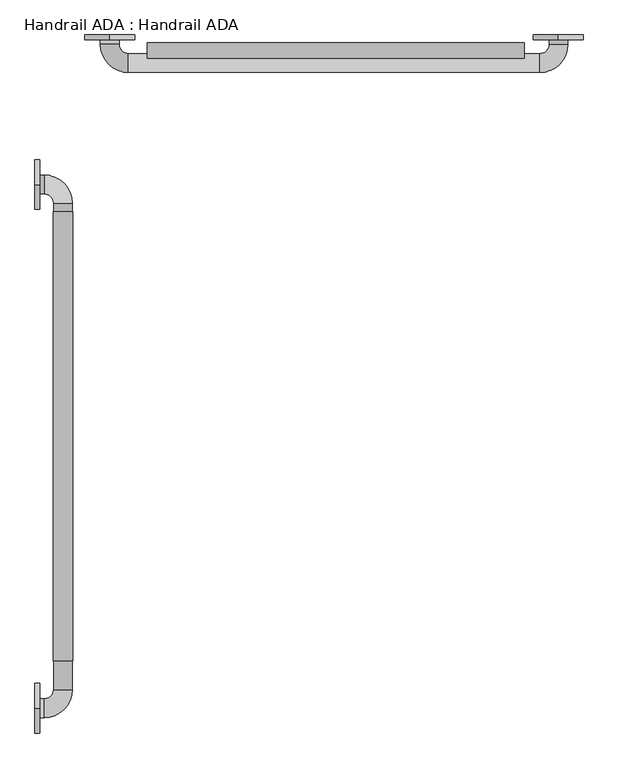
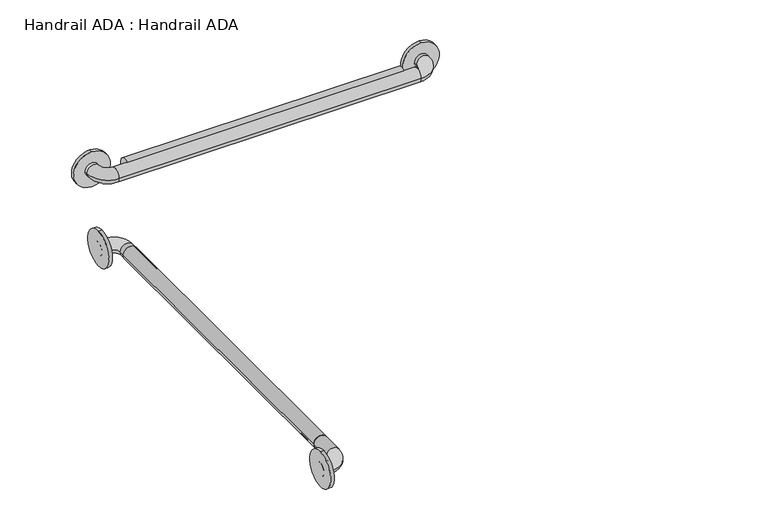
"""IFC4 building model written with IfcOpenShell, lengths in millimetres: proxy geometry, Handrail ADA : Handrail ADA."""

from ifc_helpers import new_model, si_unit, point, frame, frame_2d, origin, place, context, project, spatial, circle_curve, ellipse_curve, trimmed, segment, composite_curve, outline, extrude, source, transform, mapped, element, save
from ifc_brep_helpers import plane_surface, cylinder_surface, revolved_surface, advanced_brep


def handrail_ada_handrail_ada_b53c9894(model_context):
    return source(origin(), model_context, "Body", "SolidModel", [
        extrude(outline(composite_curve([segment(trimmed(circle_curve(frame_2d((889.0, 57.15)), 19.84375), [point((889.0, 76.99375))], [point((889.0, 37.30625))], False, "CARTESIAN"), True, "CONTINUOUS"), segment(trimmed(circle_curve(frame_2d((889.0, 57.15)), 19.84375), [point((889.0, 37.30625))], [point((889.0, 76.99375))], False, "CARTESIAN"), True, "CONTINUOUS")], self_intersect=False)), frame((0.0, -1371.6, 0.0), z_axis=(0.0, 1.0, 0.0), x_axis=(0.0, 0.0, 1.0)), (0.0, 0.0, 1.0), 914.4),
        extrude(outline(composite_curve([segment(trimmed(circle_curve(frame_2d((-132.994073, 889.0)), 19.84375), [point((-113.150323, 889.0))], [point((-152.837823, 889.0))], False, "CARTESIAN"), True, "CONTINUOUS"), segment(trimmed(circle_curve(frame_2d((-132.994073, 889.0)), 19.84375), [point((-152.837823, 889.0))], [point((-113.150323, 889.0))], False, "CARTESIAN"), True, "CONTINUOUS")], self_intersect=False)), frame((228.6, 0.0, 0.0), z_axis=(1.0, 0.0, 0.0), x_axis=(0.0, 1.0, 0.0)), (0.0, 0.0, 1.0), 768.35),
        extrude(outline(composite_curve([segment(trimmed(circle_curve(frame_2d((889.0, 1065.9492842)), 50.8), [point((838.2, 1065.9492842))], [point((939.8, 1065.9492842))], False, "CARTESIAN"), True, "CONTINUOUS"), segment(trimmed(circle_curve(frame_2d((889.0, 1065.9492842)), 50.8), [point((939.8, 1065.9492842))], [point((838.2, 1065.9492842))], False, "CARTESIAN"), True, "CONTINUOUS")], self_intersect=False)), frame((0.0, -106.3625, 0.0), z_axis=(0.0, 1.0, 0.0), x_axis=(0.0, 0.0, 1.0)), (0.0, 0.0, 1.0), 9.525),
        extrude(outline(composite_curve([segment(trimmed(circle_curve(frame_2d((889.0, 152.4)), 50.8), [point((838.2, 152.4))], [point((939.8, 152.4))], False, "CARTESIAN"), True, "CONTINUOUS"), segment(trimmed(circle_curve(frame_2d((889.0, 152.4)), 50.8), [point((939.8, 152.4))], [point((838.2, 152.4))], False, "CARTESIAN"), True, "CONTINUOUS")], self_intersect=False)), frame((0.0, -106.3625, 0.0), z_axis=(0.0, 1.0, 0.0), x_axis=(0.0, 0.0, 1.0)), (0.0, 0.0, 1.0), 9.525),
        extrude(outline(composite_curve([segment(trimmed(circle_curve(frame_2d((-401.6375, 889.0)), 50.8), [point((-401.6375, 838.2))], [point((-401.6375, 939.8))], False, "CARTESIAN"), True, "CONTINUOUS"), segment(trimmed(circle_curve(frame_2d((-401.6375, 889.0)), 50.8), [point((-401.6375, 939.8))], [point((-401.6375, 838.2))], False, "CARTESIAN"), True, "CONTINUOUS")], self_intersect=False)), frame((0.0, 0.0, 0.0), z_axis=(1.0, 0.0, 0.0), x_axis=(0.0, 1.0, 0.0)), (0.0, 0.0, 1.0), 9.525),
        extrude(outline(composite_curve([segment(trimmed(circle_curve(frame_2d((-1468.4375, 889.0)), 50.8), [point((-1468.4375, 838.2))], [point((-1468.4375, 939.8))], False, "CARTESIAN"), True, "CONTINUOUS"), segment(trimmed(circle_curve(frame_2d((-1468.4375, 889.0)), 50.8), [point((-1468.4375, 939.8))], [point((-1468.4375, 838.2))], False, "CARTESIAN"), True, "CONTINUOUS")], self_intersect=False)), frame((0.0, 0.0, 0.0), z_axis=(1.0, 0.0, 0.0), x_axis=(0.0, 1.0, 0.0)), (0.0, 0.0, 1.0), 9.525),
        advanced_brep(
        [(1085.85, -96.8375, 889.0), (1047.75, -96.8375, 889.0), (1047.75, -115.8875, 889.0), (1085.85, -115.8875, 889.0), (1028.7, -134.9375, 889.0), (1028.7, -173.0375, 889.0), (190.5, -134.9375, 889.0), (190.5, -173.0375, 889.0), (171.45, -115.8875, 889.0), (133.35, -115.8875, 889.0), (133.35, -96.8375, 889.0), (171.45, -96.8375, 889.0)],
        [
            (0, 1, circle_curve(frame((1066.8, -96.8375, 889.0), z_axis=(0.0, 1.0, 0.0), x_axis=(-1.0, 0.0, 0.0)), 19.05)),
            (1, 0, circle_curve(frame((1066.8, -96.8375, 889.0), z_axis=(0.0, 1.0, 0.0), x_axis=(-1.0, 0.0, 0.0)), 19.05)),
            (1, 2),
            (2, 3, circle_curve(frame((1066.8, -115.8875, 889.0), z_axis=(0.0, 1.0, 0.0), x_axis=(-1.0, 0.0, 0.0)), 19.05)),
            (3, 0),
            (3, 2, circle_curve(frame((1066.8, -115.8875, 889.0), z_axis=(0.0, 1.0, 0.0), x_axis=(-1.0, 0.0, 0.0)), 19.05)),
            (4, 5, circle_curve(frame((1028.7, -153.9875, 889.0), z_axis=(1.0, 0.0, 0.0), x_axis=(0.0, 1.0, 0.0)), 19.05)),
            (5, 3, circle_curve(frame((1028.7, -115.8875, 889.0), z_axis=(0.0, 0.0, 1.0), x_axis=(1.0, 0.0, 0.0)), 57.15)),
            (2, 4, circle_curve(frame((1028.7, -115.8875, 889.0), z_axis=(0.0, 0.0, -1.0), x_axis=(1.0, 0.0, 0.0)), 19.05)),
            (5, 4, circle_curve(frame((1028.7, -153.9875, 889.0), z_axis=(1.0, 0.0, 0.0), x_axis=(0.0, 1.0, 0.0)), 19.05)),
            (4, 6),
            (6, 7, circle_curve(frame((190.5, -153.9875, 889.0), z_axis=(1.0, 0.0, 0.0), x_axis=(0.0, 1.0, 0.0)), 19.05)),
            (7, 5),
            (7, 6, circle_curve(frame((190.5, -153.9875, 889.0), z_axis=(1.0, 0.0, 0.0), x_axis=(0.0, 1.0, 0.0)), 19.05)),
            (8, 9, circle_curve(frame((152.4, -115.8875, 889.0), z_axis=(0.0, -1.0, 0.0), x_axis=(1.0, 0.0, 0.0)), 19.05)),
            (9, 7, circle_curve(frame((190.5, -115.8875, 889.0), z_axis=(0.0, 0.0, 1.0), x_axis=(0.0, -1.0, 0.0)), 57.15)),
            (6, 8, circle_curve(frame((190.5, -115.8875, 889.0), z_axis=(0.0, 0.0, -1.0), x_axis=(0.0, -1.0, 0.0)), 19.05)),
            (9, 8, circle_curve(frame((152.4, -115.8875, 889.0), z_axis=(0.0, -1.0, 0.0), x_axis=(1.0, 0.0, 0.0)), 19.05)),
            (10, 11, circle_curve(frame((152.4, -96.8375, 889.0), z_axis=(0.0, 1.0, 0.0), x_axis=(1.0, 0.0, 0.0)), 19.05)),
            (11, 10, circle_curve(frame((152.4, -96.8375, 889.0), z_axis=(0.0, 1.0, 0.0), x_axis=(1.0, 0.0, 0.0)), 19.05)),
            (8, 11),
            (10, 9),
        ],
        [
            plane_surface(frame((1066.8, -96.8375, 889.0), z_axis=(0.0, 1.0, 0.0), x_axis=(0.0, 0.0, 1.0))),
            cylinder_surface(frame((1066.8, -96.8375, 889.0), z_axis=(0.0, 1.0, 0.0), x_axis=(-1.0, 0.0, 0.0)), 19.05),
            revolved_surface(trimmed(ellipse_curve(frame((1066.8, -115.8875, 889.0), z_axis=(0.0, -1.0, 0.0), x_axis=(-1.0, 0.0, 0.0)), 19.05, 19.05), [point((1085.85, -115.8875, 889.0))], [point((1047.75, -115.8875, 889.0))], True, "CARTESIAN"), (1028.7, -115.8875, 889.0), (0.0, 0.0, 1.0)),
            revolved_surface(trimmed(ellipse_curve(frame((1066.8, -115.8875, 889.0), z_axis=(0.0, -1.0, 0.0), x_axis=(-1.0, 0.0, 0.0)), 19.05, 19.05), [point((1047.75, -115.8875, 889.0))], [point((1085.85, -115.8875, 889.0))], True, "CARTESIAN"), (1028.7, -115.8875, 889.0), (0.0, 0.0, 1.0)),
            cylinder_surface(frame((1028.7, -153.9875, 889.0), z_axis=(1.0, 0.0, 0.0), x_axis=(0.0, 1.0, 0.0)), 19.05),
            revolved_surface(trimmed(ellipse_curve(frame((190.5, -153.9875, 889.0), z_axis=(-1.0, 0.0, 0.0), x_axis=(0.0, 1.0, 0.0)), 19.05, 19.05), [point((190.5, -173.0375, 889.0))], [point((190.5, -134.9375, 889.0))], True, "CARTESIAN"), (190.5, -115.8875, 889.0), (0.0, 0.0, 1.0)),
            revolved_surface(trimmed(ellipse_curve(frame((190.5, -153.9875, 889.0), z_axis=(-1.0, 0.0, 0.0), x_axis=(0.0, 1.0, 0.0)), 19.05, 19.05), [point((190.5, -134.9375, 889.0))], [point((190.5, -173.0375, 889.0))], True, "CARTESIAN"), (190.5, -115.8875, 889.0), (0.0, 0.0, 1.0)),
            plane_surface(frame((152.4, -96.8375, 889.0), z_axis=(0.0, 1.0, 0.0), x_axis=(0.0, 0.0, 1.0))),
            cylinder_surface(frame((152.4, -115.8875, 889.0), z_axis=(0.0, -1.0, 0.0), x_axis=(1.0, 0.0, 0.0)), 19.05),
        ],
        [
            (0, [[1, 2]]),
            (1, [[3, 4, 5, -2]]),
            (1, [[-5, 6, -3, -1]]),
            (2, [[7, 8, -4, 9]]),
            (3, [[10, -9, -6, -8]]),
            (4, [[11, 12, 13, -7]]),
            (4, [[-13, 14, -11, -10]]),
            (5, [[15, 16, -12, 17]]),
            (6, [[18, -17, -14, -16]]),
            (7, [[19, 20]]),
            (8, [[21, -19, 22, -15]]),
            (8, [[-22, -20, -21, -18]]),
        ],
    ),
        advanced_brep(
        [(0.0, -382.5875, 889.0), (0.0, -420.6875, 889.0), (19.05, -420.6875, 889.0), (19.05, -382.5875, 889.0), (38.1, -439.7375, 889.0), (76.2, -439.7375, 889.0), (38.1, -1430.3375, 889.0), (76.2, -1430.3375, 889.0), (19.05, -1449.3875, 889.0), (19.05, -1487.4875, 889.0), (0.0, -1487.4875, 889.0), (0.0, -1449.3875, 889.0)],
        [
            (0, 1, circle_curve(frame((0.0, -401.6375, 889.0), z_axis=(-1.0, 0.0, 0.0), x_axis=(0.0, -1.0, 0.0)), 19.05)),
            (1, 0, circle_curve(frame((0.0, -401.6375, 889.0), z_axis=(-1.0, 0.0, 0.0), x_axis=(0.0, -1.0, 0.0)), 19.05)),
            (1, 2),
            (2, 3, circle_curve(frame((19.05, -401.6375, 889.0), z_axis=(-1.0, 0.0, 0.0), x_axis=(0.0, -1.0, 0.0)), 19.05)),
            (3, 0),
            (3, 2, circle_curve(frame((19.05, -401.6375, 889.0), z_axis=(-1.0, 0.0, 0.0), x_axis=(0.0, -1.0, 0.0)), 19.05)),
            (4, 5, circle_curve(frame((57.15, -439.7375, 889.0), z_axis=(0.0, 1.0, 0.0), x_axis=(-1.0, 0.0, 0.0)), 19.05)),
            (5, 3, circle_curve(frame((19.05, -439.7375, 889.0), z_axis=(0.0, 0.0, 1.0), x_axis=(0.0, 1.0, 0.0)), 57.15)),
            (2, 4, circle_curve(frame((19.05, -439.7375, 889.0), z_axis=(0.0, 0.0, -1.0), x_axis=(0.0, 1.0, 0.0)), 19.05)),
            (5, 4, circle_curve(frame((57.15, -439.7375, 889.0), z_axis=(0.0, 1.0, 0.0), x_axis=(-1.0, 0.0, 0.0)), 19.05)),
            (4, 6),
            (6, 7, circle_curve(frame((57.15, -1430.3375, 889.0), z_axis=(0.0, 1.0, 0.0), x_axis=(-1.0, 0.0, 0.0)), 19.05)),
            (7, 5),
            (7, 6, circle_curve(frame((57.15, -1430.3375, 889.0), z_axis=(0.0, 1.0, 0.0), x_axis=(-1.0, 0.0, 0.0)), 19.05)),
            (8, 9, circle_curve(frame((19.05, -1468.4375, 889.0), z_axis=(1.0, 0.0, 0.0), x_axis=(0.0, 1.0, 0.0)), 19.05)),
            (9, 7, circle_curve(frame((19.05, -1430.3375, 889.0), z_axis=(0.0, 0.0, 1.0), x_axis=(1.0, 0.0, 0.0)), 57.15)),
            (6, 8, circle_curve(frame((19.05, -1430.3375, 889.0), z_axis=(0.0, 0.0, -1.0), x_axis=(1.0, 0.0, 0.0)), 19.05)),
            (9, 8, circle_curve(frame((19.05, -1468.4375, 889.0), z_axis=(1.0, 0.0, 0.0), x_axis=(0.0, 1.0, 0.0)), 19.05)),
            (10, 11, circle_curve(frame((0.0, -1468.4375, 889.0), z_axis=(-1.0, 0.0, 0.0), x_axis=(0.0, 1.0, 0.0)), 19.05)),
            (11, 10, circle_curve(frame((0.0, -1468.4375, 889.0), z_axis=(-1.0, 0.0, 0.0), x_axis=(0.0, 1.0, 0.0)), 19.05)),
            (8, 11),
            (10, 9),
        ],
        [
            plane_surface(frame((0.0, -401.6375, 889.0), z_axis=(-1.0, 0.0, 0.0), x_axis=(0.0, 0.0, 1.0))),
            cylinder_surface(frame((0.0, -401.6375, 889.0), z_axis=(-1.0, 0.0, 0.0), x_axis=(0.0, -1.0, 0.0)), 19.05),
            revolved_surface(trimmed(ellipse_curve(frame((19.05, -401.6375, 889.0), z_axis=(1.0, 0.0, 0.0), x_axis=(0.0, -1.0, 0.0)), 19.05, 19.05), [point((19.05, -382.5875, 889.0))], [point((19.05, -420.6875, 889.0))], True, "CARTESIAN"), (19.05, -439.7375, 889.0), (0.0, 0.0, 1.0)),
            revolved_surface(trimmed(ellipse_curve(frame((19.05, -401.6375, 889.0), z_axis=(1.0, 0.0, 0.0), x_axis=(0.0, -1.0, 0.0)), 19.05, 19.05), [point((19.05, -420.6875, 889.0))], [point((19.05, -382.5875, 889.0))], True, "CARTESIAN"), (19.05, -439.7375, 889.0), (0.0, 0.0, 1.0)),
            cylinder_surface(frame((57.15, -439.7375, 889.0), z_axis=(0.0, 1.0, 0.0), x_axis=(-1.0, 0.0, 0.0)), 19.05),
            revolved_surface(trimmed(ellipse_curve(frame((57.15, -1430.3375, 889.0), z_axis=(0.0, -1.0, 0.0), x_axis=(-1.0, 0.0, 0.0)), 19.05, 19.05), [point((76.2, -1430.3375, 889.0))], [point((38.1, -1430.3375, 889.0))], True, "CARTESIAN"), (19.05, -1430.3375, 889.0), (0.0, 0.0, 1.0)),
            revolved_surface(trimmed(ellipse_curve(frame((57.15, -1430.3375, 889.0), z_axis=(0.0, -1.0, 0.0), x_axis=(-1.0, 0.0, 0.0)), 19.05, 19.05), [point((38.1, -1430.3375, 889.0))], [point((76.2, -1430.3375, 889.0))], True, "CARTESIAN"), (19.05, -1430.3375, 889.0), (0.0, 0.0, 1.0)),
            plane_surface(frame((0.0, -1468.4375, 889.0), z_axis=(-1.0, 0.0, 0.0), x_axis=(0.0, 0.0, 1.0))),
            cylinder_surface(frame((19.05, -1468.4375, 889.0), z_axis=(1.0, 0.0, 0.0), x_axis=(0.0, 1.0, 0.0)), 19.05),
        ],
        [
            (0, [[1, 2]]),
            (1, [[3, 4, 5, -2]]),
            (1, [[-5, 6, -3, -1]]),
            (2, [[7, 8, -4, 9]]),
            (3, [[10, -9, -6, -8]]),
            (4, [[11, 12, 13, -7]]),
            (4, [[-13, 14, -11, -10]]),
            (5, [[15, 16, -12, 17]]),
            (6, [[18, -17, -14, -16]]),
            (7, [[19, 20]]),
            (8, [[21, -19, 22, -15]]),
            (8, [[-22, -20, -21, -18]]),
        ],
    ),
    ])


if __name__ == "__main__":
    model = new_model("IFC4")
    model_context = context("Model", 3, world=origin())
    ifc_project = project(units=[si_unit("LENGTHUNIT", "METRE", prefix="MILLI")], contexts=[model_context])
    site = spatial("IfcSite", under=ifc_project)
    building = spatial("IfcBuilding", under=site)
    placement = place(None, origin())
    handrail_ada_handrail_ada_shape = handrail_ada_handrail_ada_b53c9894(model_context)
    element("IfcBuildingElementProxy", 1, Name="Handrail ADA : Handrail ADA", ObjectType="Handrail ADA : Handrail ADA", at=placement, inside=building, context=model_context, shape_type="MappedRepresentation", body=[
        mapped(handrail_ada_handrail_ada_shape, transform((0.0, 0.0, 0.0), x_axis=(1.0, 0.0, 0.0), y_axis=(0.0, 1.0, 0.0), z_axis=(0.0, 0.0, 1.0))),
    ])
    save(model, "model.ifc")
